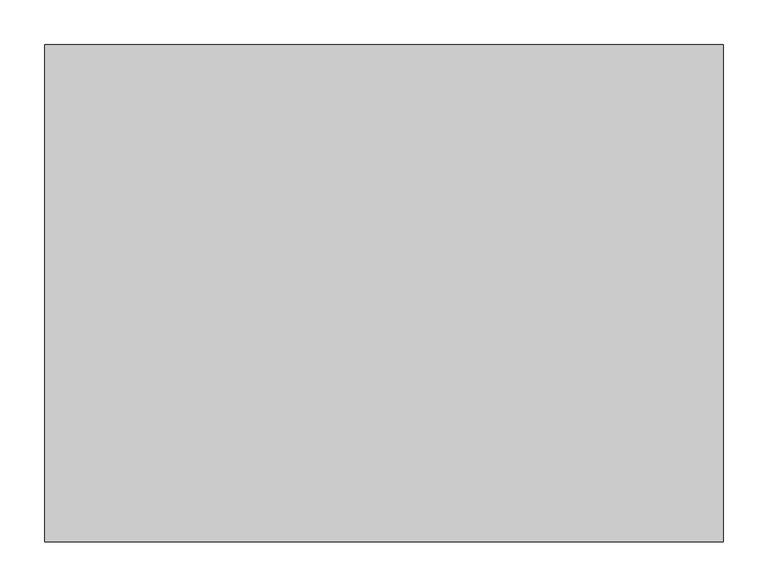
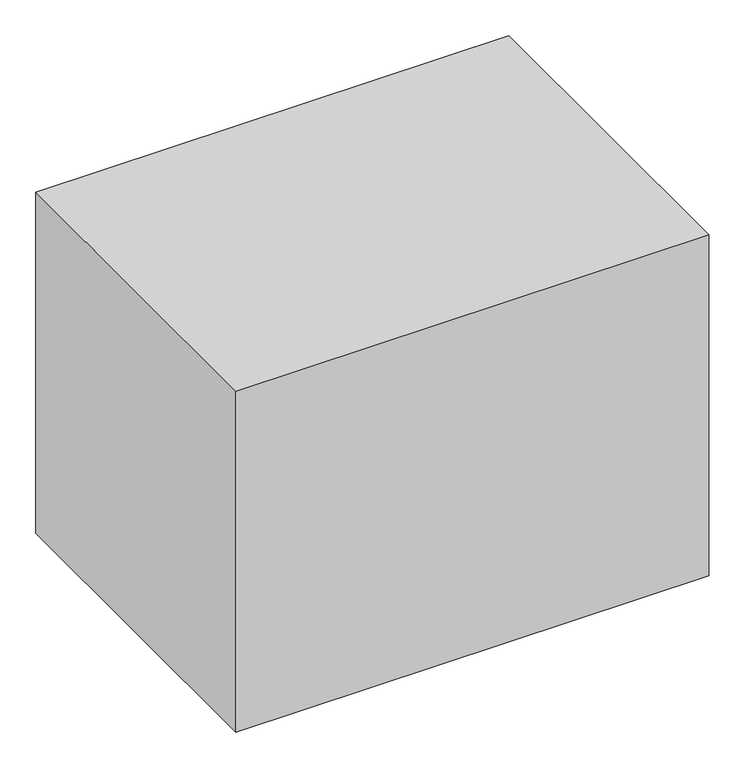
"""IFC4 building model written with IfcOpenShell, lengths in millimetres: furniture geometry."""

from ifc_helpers import new_model, si_unit, frame, origin, place, context, project, spatial, polyline, outline, extrude, source, transform, mapped, element, save


def furniture_5317561f(model_context):
    return source(origin(), model_context, "Body", "SweptSolid", [
        extrude(outline(polyline([(-209.8622951, -406.4), (-971.8622951, -406.4), (-971.8622951, 152.4), (-209.8622951, 152.4), (-209.8622951, -406.4)])), frame((0.0, 0.0, 101.6006878), z_axis=(0.0, 0.0, 1.0), x_axis=(1.0, 0.0, 0.0)), (0.0, 0.0, 1.0), 581.0243122),
    ])


if __name__ == "__main__":
    model = new_model("IFC4")
    model_context = context("Model", 3, world=origin())
    ifc_project = project(units=[si_unit("LENGTHUNIT", "METRE", prefix="MILLI")], contexts=[model_context])
    site = spatial("IfcSite", under=ifc_project)
    building = spatial("IfcBuilding", under=site)
    placement = place(None, origin())
    furniture_shape = furniture_5317561f(model_context)
    element("IfcFurniture", 1, at=placement, inside=building, context=model_context, shape_type="MappedRepresentation", body=[
        mapped(furniture_shape, transform((0.0, 0.0, 0.0), x_axis=(1.0, 0.0, 0.0), y_axis=(0.0, 1.0, 0.0), z_axis=(0.0, 0.0, 1.0))),
    ])
    save(model, "model.ifc")
